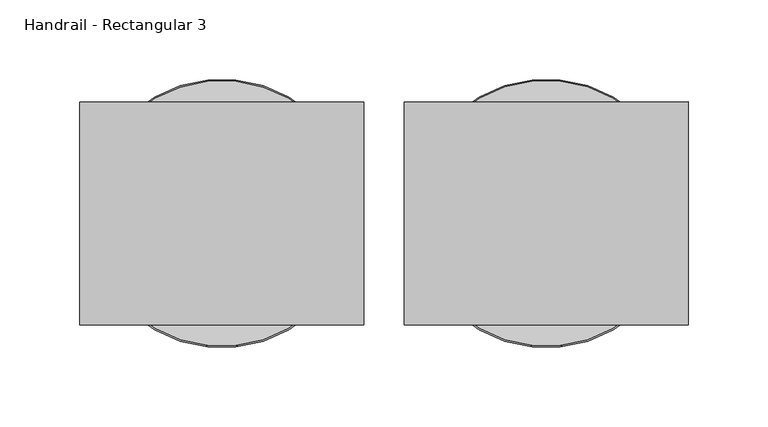
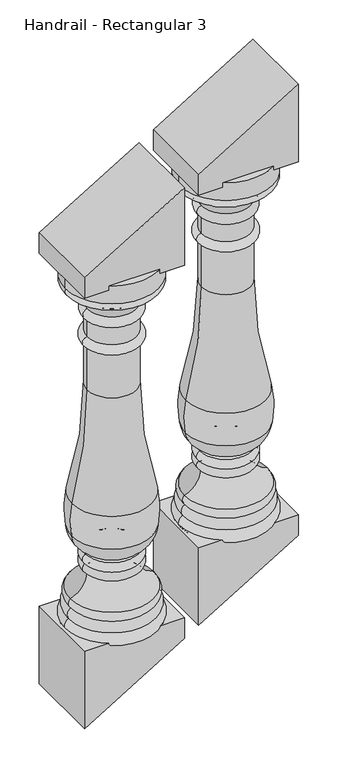
"""IFC4 building model written with IfcOpenShell, lengths in millimetres: railing geometry, Handrail - Rectangular 3."""

from ifc_helpers import new_model, si_unit, point, frame, origin, place, context, project, spatial, polyline, circle_curve, ellipse_curve, trimmed, outline, extrude, source, transform, mapped, element, save
from ifc_brep_helpers import plane_surface, cylinder_surface, revolved_surface, advanced_brep


def handrail_rectangular_3_0ecc22f2(model_context):
    return source(origin(), model_context, "Body", "SolidModel", [
        advanced_brep(
        [(9329.7589638, 4021.0919589, 1565.0325782), (9496.4464638, 4021.0919589, 1565.0325782), (9496.4464638, 4021.0919589, 1598.3700782), (9329.7589638, 4021.0919589, 1598.3700782), (9332.9339638, 4021.0919589, 1565.0325782), (9493.2714638, 4021.0919589, 1565.0325782), (9332.9339638, 4021.0919589, 1550.7450782), (9493.2714638, 4021.0919589, 1550.7450782), (9369.4464638, 4021.0919589, 1512.6450782), (9456.7589638, 4021.0919589, 1512.6450782), (9369.4464638, 4021.0919589, 1493.5950782), (9456.7589638, 4021.0919589, 1493.5950782), (9369.4464638, 4021.0919589, 1460.2575782), (9456.7589638, 4021.0919589, 1460.2575782), (9369.4464638, 4021.0919589, 1442.7950782), (9456.7589638, 4021.0919589, 1442.7950782), (9369.4464638, 4021.0919589, 1360.2450782), (9456.7589638, 4021.0919589, 1360.2450782), (9342.2579463, 4021.0919589, 1155.9266367), (9483.9474812, 4021.0919589, 1155.9266367), (9341.0675903, 4021.0919589, 1095.3843916), (9485.1378373, 4021.0919589, 1095.3843916), (9368.2786488, 4021.0919589, 1056.5487467), (9457.9267787, 4021.0919589, 1056.5487467), (9366.5533671, 4021.0919589, 1052.0663867), (9459.6520604, 4021.0919589, 1052.0663867), (9365.4777138, 4021.0919589, 1034.8075782), (9460.7277138, 4021.0919589, 1034.8075782), (9368.6527138, 4021.0919589, 1017.3450782), (9457.5527138, 4021.0919589, 1017.3450782), (9339.2839638, 4021.0919589, 977.6575782), (9486.9214638, 4021.0919589, 977.6575782), (9340.0777138, 4021.0919589, 960.1950782), (9486.1277138, 4021.0919589, 960.1950782), (9336.1089638, 4021.0919589, 941.1450782), (9490.0964638, 4021.0919589, 941.1450782), (9332.9339638, 4021.0919589, 918.9200782), (9493.2714638, 4021.0919589, 918.9200782), (9413.1027138, 4021.0919589, 918.9200782), (9413.1027138, 4021.0919589, 1598.3700782)],
        [
            (0, 1, circle_curve(frame((9413.1027138, 4021.0919589, 1565.0325782), z_axis=(0.0, 0.0, 1.0), x_axis=(1.0, 0.0, 0.0)), 83.34375)),
            (1, 2),
            (2, 3, circle_curve(frame((9413.1027138, 4021.0919589, 1598.3700782), z_axis=(0.0, 0.0, -1.0), x_axis=(1.0, 0.0, 0.0)), 83.34375)),
            (3, 0),
            (1, 0, circle_curve(frame((9413.1027138, 4021.0919589, 1565.0325782), z_axis=(0.0, 0.0, 1.0), x_axis=(1.0, 0.0, 0.0)), 83.34375)),
            (3, 2, circle_curve(frame((9413.1027138, 4021.0919589, 1598.3700782), z_axis=(0.0, 0.0, -1.0), x_axis=(1.0, 0.0, 0.0)), 83.34375)),
            (4, 5, circle_curve(frame((9413.1027138, 4021.0919589, 1565.0325782), z_axis=(0.0, 0.0, 1.0), x_axis=(1.0, 0.0, 0.0)), 80.16875)),
            (5, 1),
            (0, 4),
            (5, 4, circle_curve(frame((9413.1027138, 4021.0919589, 1565.0325782), z_axis=(0.0, 0.0, 1.0), x_axis=(1.0, 0.0, 0.0)), 80.16875)),
            (6, 7, circle_curve(frame((9413.1027138, 4021.0919589, 1550.7450782), z_axis=(0.0, 0.0, 1.0), x_axis=(1.0, 0.0, 0.0)), 80.16875)),
            (7, 5, circle_curve(frame((9486.822245, 4021.0919589, 1557.8888282), z_axis=(0.0, -1.0, 0.0), x_axis=(1.0, 0.0, 0.0)), 9.6242187)),
            (4, 6, circle_curve(frame((9339.3831825, 4021.0919589, 1557.8888282), z_axis=(0.0, -1.0, 0.0), x_axis=(-1.0, 0.0, 0.0)), 9.6242187)),
            (7, 6, circle_curve(frame((9413.1027138, 4021.0919589, 1550.7450782), z_axis=(0.0, 0.0, 1.0), x_axis=(1.0, 0.0, 0.0)), 80.16875)),
            (8, 9, circle_curve(frame((9413.1027138, 4021.0919589, 1512.6450782), z_axis=(0.0, 0.0, 1.0), x_axis=(1.0, 0.0, 0.0)), 43.65625)),
            (9, 7, circle_curve(frame((9512.1757682, 4021.0919589, 1496.0828801), z_axis=(0.0, 1.0, 0.0), x_axis=(1.0, 0.0, 0.0)), 57.8388159)),
            (6, 8, circle_curve(frame((9314.0296593, 4021.0919589, 1496.0828801), z_axis=(0.0, 1.0, 0.0), x_axis=(-1.0, 0.0, 0.0)), 57.8388159)),
            (9, 8, circle_curve(frame((9413.1027138, 4021.0919589, 1512.6450782), z_axis=(0.0, 0.0, 1.0), x_axis=(1.0, 0.0, 0.0)), 43.65625)),
            (10, 11, circle_curve(frame((9413.1027138, 4021.0919589, 1493.5950782), z_axis=(0.0, 0.0, 1.0), x_axis=(1.0, 0.0, 0.0)), 43.65625)),
            (11, 9, circle_curve(frame((9455.0127138, 4021.0919589, 1503.1200782), z_axis=(0.0, -1.0, 0.0), x_axis=(1.0, 0.0, 0.0)), 9.68375)),
            (8, 10, circle_curve(frame((9371.1927138, 4021.0919589, 1503.1200782), z_axis=(0.0, -1.0, 0.0), x_axis=(-1.0, 0.0, 0.0)), 9.68375)),
            (11, 10, circle_curve(frame((9413.1027138, 4021.0919589, 1493.5950782), z_axis=(0.0, 0.0, 1.0), x_axis=(1.0, 0.0, 0.0)), 43.65625)),
            (12, 13, circle_curve(frame((9413.1027138, 4021.0919589, 1460.2575782), z_axis=(0.0, 0.0, 1.0), x_axis=(1.0, 0.0, 0.0)), 43.65625)),
            (13, 11),
            (10, 12),
            (13, 12, circle_curve(frame((9413.1027138, 4021.0919589, 1460.2575782), z_axis=(0.0, 0.0, 1.0), x_axis=(1.0, 0.0, 0.0)), 43.65625)),
            (14, 15, circle_curve(frame((9413.1027138, 4021.0919589, 1442.7950782), z_axis=(0.0, 0.0, 1.0), x_axis=(1.0, 0.0, 0.0)), 43.65625)),
            (15, 13, circle_curve(frame((9456.7589638, 4021.0919589, 1451.5263282), z_axis=(0.0, -1.0, 0.0), x_axis=(1.0, 0.0, 0.0)), 8.73125)),
            (12, 14, circle_curve(frame((9369.4464638, 4021.0919589, 1451.5263282), z_axis=(0.0, -1.0, 0.0), x_axis=(-1.0, 0.0, 0.0)), 8.73125)),
            (15, 14, circle_curve(frame((9413.1027138, 4021.0919589, 1442.7950782), z_axis=(0.0, 0.0, 1.0), x_axis=(1.0, 0.0, 0.0)), 43.65625)),
            (16, 17, circle_curve(frame((9413.1027138, 4021.0919589, 1360.2450782), z_axis=(0.0, 0.0, 1.0), x_axis=(1.0, 0.0, 0.0)), 43.65625)),
            (17, 15),
            (14, 16),
            (17, 16, circle_curve(frame((9413.1027138, 4021.0919589, 1360.2450782), z_axis=(0.0, 0.0, 1.0), x_axis=(1.0, 0.0, 0.0)), 43.65625)),
            (18, 19, circle_curve(frame((9413.1027138, 4021.0919589, 1155.9266367), z_axis=(0.0, 0.0, 1.0), x_axis=(1.0, 0.0, 0.0)), 70.8447675)),
            (19, 17, circle_curve(frame((10191.5357133, 4021.0919589, 1354.0531261), z_axis=(0.0, 1.0, 0.0), x_axis=(1.0, 0.0, 0.0)), 734.8028389)),
            (16, 18, circle_curve(frame((8634.6697142, 4021.0919589, 1354.0531261), z_axis=(0.0, 1.0, 0.0), x_axis=(-1.0, 0.0, 0.0)), 734.8028389)),
            (19, 18, circle_curve(frame((9413.1027138, 4021.0919589, 1155.9266367), z_axis=(0.0, 0.0, 1.0), x_axis=(1.0, 0.0, 0.0)), 70.8447675)),
            (20, 21, circle_curve(frame((9413.1027138, 4021.0919589, 1095.3843916), z_axis=(0.0, 0.0, 1.0), x_axis=(1.0, 0.0, 0.0)), 72.0351235)),
            (21, 19, circle_curve(frame((9326.0488591, 4021.0919589, 1122.5392761), z_axis=(0.0, -1.0, 0.0), x_axis=(1.0, 0.0, 0.0)), 161.3898718)),
            (18, 20, circle_curve(frame((9500.1565684, 4021.0919589, 1122.5392761), z_axis=(0.0, -1.0, 0.0), x_axis=(-1.0, 0.0, 0.0)), 161.3898718)),
            (21, 20, circle_curve(frame((9413.1027138, 4021.0919589, 1095.3843916), z_axis=(0.0, 0.0, 1.0), x_axis=(1.0, 0.0, 0.0)), 72.0351235)),
            (22, 23, circle_curve(frame((9413.1027138, 4021.0919589, 1056.5487467), z_axis=(0.0, 0.0, 1.0), x_axis=(1.0, 0.0, 0.0)), 44.8240649)),
            (23, 21, circle_curve(frame((9435.4078154, 4021.0919589, 1101.2779985), z_axis=(0.0, -1.0, 0.0), x_axis=(1.0, 0.0, 0.0)), 50.0780358)),
            (20, 22, circle_curve(frame((9390.7976121, 4021.0919589, 1101.2779985), z_axis=(0.0, -1.0, 0.0), x_axis=(-1.0, 0.0, 0.0)), 50.0780358)),
            (23, 22, circle_curve(frame((9413.1027138, 4021.0919589, 1056.5487467), z_axis=(0.0, 0.0, 1.0), x_axis=(1.0, 0.0, 0.0)), 44.8240649)),
            (24, 25, circle_curve(frame((9413.1027138, 4021.0919589, 1052.0663867), z_axis=(0.0, 0.0, 1.0), x_axis=(1.0, 0.0, 0.0)), 46.5493467)),
            (25, 23, circle_curve(frame((9460.7277138, 4021.0919589, 1055.0536254), z_axis=(0.0, 1.0, 0.0), x_axis=(1.0, 0.0, 0.0)), 3.175)),
            (22, 24, circle_curve(frame((9365.4777138, 4021.0919589, 1055.0536254), z_axis=(0.0, 1.0, 0.0), x_axis=(-1.0, 0.0, 0.0)), 3.175)),
            (25, 24, circle_curve(frame((9413.1027138, 4021.0919589, 1052.0663867), z_axis=(0.0, 0.0, 1.0), x_axis=(1.0, 0.0, 0.0)), 46.5493467)),
            (26, 27, circle_curve(frame((9413.1027138, 4021.0919589, 1034.8075782), z_axis=(0.0, 0.0, 1.0), x_axis=(1.0, 0.0, 0.0)), 47.625)),
            (27, 25, circle_curve(frame((9455.651349, 4021.0919589, 1043.1541186), z_axis=(0.0, -1.0, 0.0), x_axis=(1.0, 0.0, 0.0)), 9.7690437)),
            (24, 26, circle_curve(frame((9370.5540785, 4021.0919589, 1043.1541186), z_axis=(0.0, -1.0, 0.0), x_axis=(-1.0, 0.0, 0.0)), 9.7690437)),
            (27, 26, circle_curve(frame((9413.1027138, 4021.0919589, 1034.8075782), z_axis=(0.0, 0.0, 1.0), x_axis=(1.0, 0.0, 0.0)), 47.625)),
            (28, 29, circle_curve(frame((9413.1027138, 4021.0919589, 1017.3450782), z_axis=(0.0, 0.0, 1.0), x_axis=(1.0, 0.0, 0.0)), 44.45)),
            (29, 27, circle_curve(frame((9456.1140419, 4021.0919589, 1026.6265412), z_axis=(0.0, -1.0, 0.0), x_axis=(1.0, 0.0, 0.0)), 9.3923018)),
            (26, 28, circle_curve(frame((9370.0913856, 4021.0919589, 1026.6265412), z_axis=(0.0, -1.0, 0.0), x_axis=(-1.0, 0.0, 0.0)), 9.3923018)),
            (29, 28, circle_curve(frame((9413.1027138, 4021.0919589, 1017.3450782), z_axis=(0.0, 0.0, 1.0), x_axis=(1.0, 0.0, 0.0)), 44.45)),
            (30, 31, circle_curve(frame((9413.1027138, 4021.0919589, 977.6575782), z_axis=(0.0, 0.0, 1.0), x_axis=(1.0, 0.0, 0.0)), 73.81875)),
            (31, 29, circle_curve(frame((9499.0529671, 4021.0919589, 1017.3450782), z_axis=(0.0, 1.0, 0.0), x_axis=(1.0, 0.0, 0.0)), 41.5002534)),
            (28, 30, circle_curve(frame((9327.1524604, 4021.0919589, 1017.3450782), z_axis=(0.0, 1.0, 0.0), x_axis=(-1.0, 0.0, 0.0)), 41.5002534)),
            (31, 30, circle_curve(frame((9413.1027138, 4021.0919589, 977.6575782), z_axis=(0.0, 0.0, 1.0), x_axis=(1.0, 0.0, 0.0)), 73.81875)),
            (32, 33, circle_curve(frame((9413.1027138, 4021.0919589, 960.1950782), z_axis=(0.0, 0.0, 1.0), x_axis=(1.0, 0.0, 0.0)), 73.025)),
            (33, 31, circle_curve(frame((9477.6169499, 4021.0919589, 969.3312208), z_axis=(0.0, -1.0, 0.0), x_axis=(1.0, 0.0, 0.0)), 12.4860804)),
            (30, 32, circle_curve(frame((9348.5884776, 4021.0919589, 969.3312208), z_axis=(0.0, -1.0, 0.0), x_axis=(-1.0, 0.0, 0.0)), 12.4860804)),
            (33, 32, circle_curve(frame((9413.1027138, 4021.0919589, 960.1950782), z_axis=(0.0, 0.0, 1.0), x_axis=(1.0, 0.0, 0.0)), 73.025)),
            (34, 35, circle_curve(frame((9413.1027138, 4021.0919589, 941.1450782), z_axis=(0.0, 0.0, 1.0), x_axis=(1.0, 0.0, 0.0)), 76.99375)),
            (35, 33, circle_curve(frame((9479.4529979, 4021.0919589, 948.8661009), z_axis=(0.0, -1.0, 0.0), x_axis=(1.0, 0.0, 0.0)), 13.1490516)),
            (32, 34, circle_curve(frame((9346.7524297, 4021.0919589, 948.8661009), z_axis=(0.0, -1.0, 0.0), x_axis=(-1.0, 0.0, 0.0)), 13.1490516)),
            (35, 34, circle_curve(frame((9413.1027138, 4021.0919589, 941.1450782), z_axis=(0.0, 0.0, 1.0), x_axis=(1.0, 0.0, 0.0)), 76.99375)),
            (36, 37, circle_curve(frame((9413.1027138, 4021.0919589, 918.9200782), z_axis=(0.0, 0.0, 1.0), x_axis=(1.0, 0.0, 0.0)), 80.16875)),
            (37, 35, circle_curve(frame((9483.122803, 4021.0919589, 928.8095552), z_axis=(0.0, -1.0, 0.0), x_axis=(1.0, 0.0, 0.0)), 14.1702883)),
            (34, 36, circle_curve(frame((9343.0826245, 4021.0919589, 928.8095552), z_axis=(0.0, -1.0, 0.0), x_axis=(-1.0, 0.0, 0.0)), 14.1702883)),
            (37, 36, circle_curve(frame((9413.1027138, 4021.0919589, 918.9200782), z_axis=(0.0, 0.0, 1.0), x_axis=(1.0, 0.0, 0.0)), 80.16875)),
            (38, 37),
            (36, 38),
            (2, 39),
            (39, 3),
        ],
        [
            cylinder_surface(frame((9413.1027138, 4021.0919589, 1547.5700782), z_axis=(0.0, 0.0, -1.0), x_axis=(1.0, 0.0, 0.0)), 83.34375),
            plane_surface(frame((9413.1027138, 4021.0919589, 1565.0325782), z_axis=(0.0, 0.0, -1.0), x_axis=(1.0, 0.0, 0.0))),
            revolved_surface(trimmed(ellipse_curve(frame((9486.822245, 4021.0919589, 1557.8888282), z_axis=(0.0, 1.0, 0.0), x_axis=(1.0, 0.0, 0.0)), 9.6242187, 9.6242187), [point((9493.2714638, 4021.0919589, 1565.0325782))], [point((9493.2714638, 4021.0919589, 1550.7450782))], True, "CARTESIAN"), (9413.1027138, 4021.0919589, 1547.5700782), (0.0, 0.0, -1.0)),
            revolved_surface(trimmed(ellipse_curve(frame((9512.1757682, 4021.0919589, 1496.0828801), z_axis=(0.0, -1.0, 0.0), x_axis=(1.0, 0.0, 0.0)), 57.8388159, 57.8388159), [point((9493.2714638, 4021.0919589, 1550.7450782))], [point((9456.7589638, 4021.0919589, 1512.6450782))], True, "CARTESIAN"), (9413.1027138, 4021.0919589, 1547.5700782), (0.0, 0.0, -1.0)),
            revolved_surface(trimmed(ellipse_curve(frame((9455.0127138, 4021.0919589, 1503.1200782), z_axis=(0.0, 1.0, 0.0), x_axis=(1.0, 0.0, 0.0)), 9.68375, 9.68375), [point((9456.7589638, 4021.0919589, 1512.6450782))], [point((9456.7589638, 4021.0919589, 1493.5950782))], True, "CARTESIAN"), (9413.1027138, 4021.0919589, 1547.5700782), (0.0, 0.0, -1.0)),
            cylinder_surface(frame((9413.1027138, 4021.0919589, 1547.5700782), z_axis=(0.0, 0.0, -1.0), x_axis=(1.0, 0.0, 0.0)), 43.65625),
            revolved_surface(trimmed(ellipse_curve(frame((9456.7589638, 4021.0919589, 1451.5263282), z_axis=(0.0, 1.0, 0.0), x_axis=(1.0, 0.0, 0.0)), 8.73125, 8.73125), [point((9456.7589638, 4021.0919589, 1460.2575782))], [point((9456.7589638, 4021.0919589, 1442.7950782))], True, "CARTESIAN"), (9413.1027138, 4021.0919589, 1547.5700782), (0.0, 0.0, -1.0)),
            revolved_surface(trimmed(ellipse_curve(frame((10191.5357133, 4021.0919589, 1354.0531261), z_axis=(0.0, -1.0, 0.0), x_axis=(1.0, 0.0, 0.0)), 734.8028389, 734.8028389), [point((9456.7589638, 4021.0919589, 1360.2450782))], [point((9483.9474812, 4021.0919589, 1155.9266367))], True, "CARTESIAN"), (9413.1027138, 4021.0919589, 1547.5700782), (0.0, 0.0, -1.0)),
            revolved_surface(trimmed(ellipse_curve(frame((9326.0488591, 4021.0919589, 1122.5392761), z_axis=(0.0, 1.0, 0.0), x_axis=(1.0, 0.0, 0.0)), 161.3898718, 161.3898718), [point((9483.9474812, 4021.0919589, 1155.9266367))], [point((9485.1378373, 4021.0919589, 1095.3843916))], True, "CARTESIAN"), (9413.1027138, 4021.0919589, 1547.5700782), (0.0, 0.0, -1.0)),
            revolved_surface(trimmed(ellipse_curve(frame((9435.4078154, 4021.0919589, 1101.2779985), z_axis=(0.0, 1.0, 0.0), x_axis=(1.0, 0.0, 0.0)), 50.0780358, 50.0780358), [point((9485.1378373, 4021.0919589, 1095.3843916))], [point((9457.9267787, 4021.0919589, 1056.5487467))], True, "CARTESIAN"), (9413.1027138, 4021.0919589, 1547.5700782), (0.0, 0.0, -1.0)),
            revolved_surface(trimmed(ellipse_curve(frame((9460.7277138, 4021.0919589, 1055.0536254), z_axis=(0.0, -1.0, 0.0), x_axis=(1.0, 0.0, 0.0)), 3.175, 3.175), [point((9457.9267787, 4021.0919589, 1056.5487467))], [point((9459.6520604, 4021.0919589, 1052.0663867))], True, "CARTESIAN"), (9413.1027138, 4021.0919589, 1547.5700782), (0.0, 0.0, -1.0)),
            revolved_surface(trimmed(ellipse_curve(frame((9455.651349, 4021.0919589, 1043.1541186), z_axis=(0.0, 1.0, 0.0), x_axis=(1.0, 0.0, 0.0)), 9.7690437, 9.7690437), [point((9459.6520604, 4021.0919589, 1052.0663867))], [point((9460.7277138, 4021.0919589, 1034.8075782))], True, "CARTESIAN"), (9413.1027138, 4021.0919589, 1547.5700782), (0.0, 0.0, -1.0)),
            revolved_surface(trimmed(ellipse_curve(frame((9456.1140419, 4021.0919589, 1026.6265412), z_axis=(0.0, 1.0, 0.0), x_axis=(1.0, 0.0, 0.0)), 9.3923018, 9.3923018), [point((9460.7277138, 4021.0919589, 1034.8075782))], [point((9457.5527138, 4021.0919589, 1017.3450782))], True, "CARTESIAN"), (9413.1027138, 4021.0919589, 1547.5700782), (0.0, 0.0, -1.0)),
            revolved_surface(trimmed(ellipse_curve(frame((9499.0529671, 4021.0919589, 1017.3450782), z_axis=(0.0, -1.0, 0.0), x_axis=(1.0, 0.0, 0.0)), 41.5002534, 41.5002534), [point((9457.5527138, 4021.0919589, 1017.3450782))], [point((9486.9214638, 4021.0919589, 977.6575782))], True, "CARTESIAN"), (9413.1027138, 4021.0919589, 1547.5700782), (0.0, 0.0, -1.0)),
            revolved_surface(trimmed(ellipse_curve(frame((9477.6169499, 4021.0919589, 969.3312208), z_axis=(0.0, 1.0, 0.0), x_axis=(1.0, 0.0, 0.0)), 12.4860804, 12.4860804), [point((9486.9214638, 4021.0919589, 977.6575782))], [point((9486.1277138, 4021.0919589, 960.1950782))], True, "CARTESIAN"), (9413.1027138, 4021.0919589, 1547.5700782), (0.0, 0.0, -1.0)),
            revolved_surface(trimmed(ellipse_curve(frame((9479.4529979, 4021.0919589, 948.8661009), z_axis=(0.0, 1.0, 0.0), x_axis=(1.0, 0.0, 0.0)), 13.1490516, 13.1490516), [point((9486.1277138, 4021.0919589, 960.1950782))], [point((9490.0964638, 4021.0919589, 941.1450782))], True, "CARTESIAN"), (9413.1027138, 4021.0919589, 1547.5700782), (0.0, 0.0, -1.0)),
            revolved_surface(trimmed(ellipse_curve(frame((9483.122803, 4021.0919589, 928.8095552), z_axis=(0.0, 1.0, 0.0), x_axis=(1.0, 0.0, 0.0)), 14.1702883, 14.1702883), [point((9490.0964638, 4021.0919589, 941.1450782))], [point((9493.2714638, 4021.0919589, 918.9200782))], True, "CARTESIAN"), (9413.1027138, 4021.0919589, 1547.5700782), (0.0, 0.0, -1.0)),
            plane_surface(frame((9413.1027138, 4021.0919589, 918.9200782), z_axis=(0.0, 0.0, -1.0), x_axis=(1.0, 0.0, 0.0))),
            plane_surface(frame((9413.1027138, 4021.0919589, 1598.3700782), z_axis=(0.0, 0.0, 1.0), x_axis=(1.0, 0.0, 0.0))),
        ],
        [
            (0, [[1, 2, 3, 4]]),
            (0, [[5, -4, 6, -2]]),
            (1, [[7, 8, -1, 9]]),
            (1, [[10, -9, -5, -8]]),
            (2, [[11, 12, -7, 13]]),
            (2, [[14, -13, -10, -12]]),
            (3, [[15, 16, -11, 17]]),
            (3, [[18, -17, -14, -16]]),
            (4, [[19, 20, -15, 21]]),
            (4, [[22, -21, -18, -20]]),
            (5, [[23, 24, -19, 25]]),
            (5, [[26, -25, -22, -24]]),
            (6, [[27, 28, -23, 29]]),
            (6, [[30, -29, -26, -28]]),
            (5, [[31, 32, -27, 33]]),
            (5, [[34, -33, -30, -32]]),
            (7, [[35, 36, -31, 37]]),
            (7, [[38, -37, -34, -36]]),
            (8, [[39, 40, -35, 41]]),
            (8, [[42, -41, -38, -40]]),
            (9, [[43, 44, -39, 45]]),
            (9, [[46, -45, -42, -44]]),
            (10, [[47, 48, -43, 49]]),
            (10, [[50, -49, -46, -48]]),
            (11, [[51, 52, -47, 53]]),
            (11, [[54, -53, -50, -52]]),
            (12, [[55, 56, -51, 57]]),
            (12, [[58, -57, -54, -56]]),
            (13, [[59, 60, -55, 61]]),
            (13, [[62, -61, -58, -60]]),
            (14, [[63, 64, -59, 65]]),
            (14, [[66, -65, -62, -64]]),
            (15, [[67, 68, -63, 69]]),
            (15, [[70, -69, -66, -68]]),
            (16, [[71, 72, -67, 73]]),
            (16, [[74, -73, -70, -72]]),
            (17, [[75, -71, 76]]),
            (17, [[-76, -74, -75]]),
            (18, [[-3, 77, 78]]),
            (18, [[-6, -78, -77]]),
        ],
    ),
        extrude(outline(polyline([(926.7151515, 9502.0027138), (926.7151515, 9324.2027138), (780.7613636, 9324.2027138), (888.5189394, 9502.0027138), (926.7151515, 9502.0027138)])), frame((0.0, 3951.2419589, 0.0), z_axis=(0.0, 1.0, 0.0), x_axis=(0.0, 0.0, 1.0)), (0.0, 0.0, 1.0), 139.7),
        extrude(outline(polyline([(1590.5750048, 9324.2027138), (1590.5750048, 9502.0027138), (1736.5287927, 9502.0027138), (1628.7712169, 9324.2027138), (1590.5750048, 9324.2027138)])), frame((0.0, 3951.2419589, 0.0), z_axis=(0.0, 1.0, 0.0), x_axis=(0.0, 0.0, 1.0)), (0.0, 0.0, 1.0), 139.7),
        advanced_brep(
        [(9126.5589638, 4021.0919589, 1441.881063), (9293.2464638, 4021.0919589, 1441.881063), (9293.2464638, 4021.0919589, 1475.218563), (9126.5589638, 4021.0919589, 1475.218563), (9129.7339638, 4021.0919589, 1441.881063), (9290.0714638, 4021.0919589, 1441.881063), (9129.7339638, 4021.0919589, 1427.593563), (9290.0714638, 4021.0919589, 1427.593563), (9166.2464638, 4021.0919589, 1389.493563), (9253.5589638, 4021.0919589, 1389.493563), (9166.2464638, 4021.0919589, 1370.443563), (9253.5589638, 4021.0919589, 1370.443563), (9166.2464638, 4021.0919589, 1337.106063), (9253.5589638, 4021.0919589, 1337.106063), (9166.2464638, 4021.0919589, 1319.643563), (9253.5589638, 4021.0919589, 1319.643563), (9166.2464638, 4021.0919589, 1237.093563), (9253.5589638, 4021.0919589, 1237.093563), (9139.0579463, 4021.0919589, 1032.7751216), (9280.7474812, 4021.0919589, 1032.7751216), (9137.8675903, 4021.0919589, 972.2328764), (9281.9378373, 4021.0919589, 972.2328764), (9165.0786488, 4021.0919589, 933.3972316), (9254.7267787, 4021.0919589, 933.3972316), (9163.3533671, 4021.0919589, 928.9148716), (9256.4520604, 4021.0919589, 928.9148716), (9162.2777138, 4021.0919589, 911.656063), (9257.5277138, 4021.0919589, 911.656063), (9165.4527138, 4021.0919589, 894.193563), (9254.3527138, 4021.0919589, 894.193563), (9136.0839638, 4021.0919589, 854.506063), (9283.7214638, 4021.0919589, 854.506063), (9136.8777138, 4021.0919589, 837.043563), (9282.9277138, 4021.0919589, 837.043563), (9132.9089638, 4021.0919589, 817.993563), (9286.8964638, 4021.0919589, 817.993563), (9129.7339638, 4021.0919589, 795.768563), (9290.0714638, 4021.0919589, 795.768563), (9209.9027138, 4021.0919589, 795.768563), (9209.9027138, 4021.0919589, 1475.218563)],
        [
            (0, 1, circle_curve(frame((9209.9027138, 4021.0919589, 1441.881063), z_axis=(0.0, 0.0, 1.0), x_axis=(1.0, 0.0, 0.0)), 83.34375)),
            (1, 2),
            (2, 3, circle_curve(frame((9209.9027138, 4021.0919589, 1475.218563), z_axis=(0.0, 0.0, -1.0), x_axis=(1.0, 0.0, 0.0)), 83.34375)),
            (3, 0),
            (1, 0, circle_curve(frame((9209.9027138, 4021.0919589, 1441.881063), z_axis=(0.0, 0.0, 1.0), x_axis=(1.0, 0.0, 0.0)), 83.34375)),
            (3, 2, circle_curve(frame((9209.9027138, 4021.0919589, 1475.218563), z_axis=(0.0, 0.0, -1.0), x_axis=(1.0, 0.0, 0.0)), 83.34375)),
            (4, 5, circle_curve(frame((9209.9027138, 4021.0919589, 1441.881063), z_axis=(0.0, 0.0, 1.0), x_axis=(1.0, 0.0, 0.0)), 80.16875)),
            (5, 1),
            (0, 4),
            (5, 4, circle_curve(frame((9209.9027138, 4021.0919589, 1441.881063), z_axis=(0.0, 0.0, 1.0), x_axis=(1.0, 0.0, 0.0)), 80.16875)),
            (6, 7, circle_curve(frame((9209.9027138, 4021.0919589, 1427.593563), z_axis=(0.0, 0.0, 1.0), x_axis=(1.0, 0.0, 0.0)), 80.16875)),
            (7, 5, circle_curve(frame((9283.622245, 4021.0919589, 1434.737313), z_axis=(0.0, -1.0, 0.0), x_axis=(1.0, 0.0, 0.0)), 9.6242187)),
            (4, 6, circle_curve(frame((9136.1831825, 4021.0919589, 1434.737313), z_axis=(0.0, -1.0, 0.0), x_axis=(-1.0, 0.0, 0.0)), 9.6242187)),
            (7, 6, circle_curve(frame((9209.9027138, 4021.0919589, 1427.593563), z_axis=(0.0, 0.0, 1.0), x_axis=(1.0, 0.0, 0.0)), 80.16875)),
            (8, 9, circle_curve(frame((9209.9027138, 4021.0919589, 1389.493563), z_axis=(0.0, 0.0, 1.0), x_axis=(1.0, 0.0, 0.0)), 43.65625)),
            (9, 7, circle_curve(frame((9308.9757682, 4021.0919589, 1372.931365), z_axis=(0.0, 1.0, 0.0), x_axis=(1.0, 0.0, 0.0)), 57.8388159)),
            (6, 8, circle_curve(frame((9110.8296593, 4021.0919589, 1372.931365), z_axis=(0.0, 1.0, 0.0), x_axis=(-1.0, 0.0, 0.0)), 57.8388159)),
            (9, 8, circle_curve(frame((9209.9027138, 4021.0919589, 1389.493563), z_axis=(0.0, 0.0, 1.0), x_axis=(1.0, 0.0, 0.0)), 43.65625)),
            (10, 11, circle_curve(frame((9209.9027138, 4021.0919589, 1370.443563), z_axis=(0.0, 0.0, 1.0), x_axis=(1.0, 0.0, 0.0)), 43.65625)),
            (11, 9, circle_curve(frame((9251.8127138, 4021.0919589, 1379.968563), z_axis=(0.0, -1.0, 0.0), x_axis=(1.0, 0.0, 0.0)), 9.68375)),
            (8, 10, circle_curve(frame((9167.9927138, 4021.0919589, 1379.968563), z_axis=(0.0, -1.0, 0.0), x_axis=(-1.0, 0.0, 0.0)), 9.68375)),
            (11, 10, circle_curve(frame((9209.9027138, 4021.0919589, 1370.443563), z_axis=(0.0, 0.0, 1.0), x_axis=(1.0, 0.0, 0.0)), 43.65625)),
            (12, 13, circle_curve(frame((9209.9027138, 4021.0919589, 1337.106063), z_axis=(0.0, 0.0, 1.0), x_axis=(1.0, 0.0, 0.0)), 43.65625)),
            (13, 11),
            (10, 12),
            (13, 12, circle_curve(frame((9209.9027138, 4021.0919589, 1337.106063), z_axis=(0.0, 0.0, 1.0), x_axis=(1.0, 0.0, 0.0)), 43.65625)),
            (14, 15, circle_curve(frame((9209.9027138, 4021.0919589, 1319.643563), z_axis=(0.0, 0.0, 1.0), x_axis=(1.0, 0.0, 0.0)), 43.65625)),
            (15, 13, circle_curve(frame((9253.5589638, 4021.0919589, 1328.374813), z_axis=(0.0, -1.0, 0.0), x_axis=(1.0, 0.0, 0.0)), 8.73125)),
            (12, 14, circle_curve(frame((9166.2464638, 4021.0919589, 1328.374813), z_axis=(0.0, -1.0, 0.0), x_axis=(-1.0, 0.0, 0.0)), 8.73125)),
            (15, 14, circle_curve(frame((9209.9027138, 4021.0919589, 1319.643563), z_axis=(0.0, 0.0, 1.0), x_axis=(1.0, 0.0, 0.0)), 43.65625)),
            (16, 17, circle_curve(frame((9209.9027138, 4021.0919589, 1237.093563), z_axis=(0.0, 0.0, 1.0), x_axis=(1.0, 0.0, 0.0)), 43.65625)),
            (17, 15),
            (14, 16),
            (17, 16, circle_curve(frame((9209.9027138, 4021.0919589, 1237.093563), z_axis=(0.0, 0.0, 1.0), x_axis=(1.0, 0.0, 0.0)), 43.65625)),
            (18, 19, circle_curve(frame((9209.9027138, 4021.0919589, 1032.7751216), z_axis=(0.0, 0.0, 1.0), x_axis=(1.0, 0.0, 0.0)), 70.8447675)),
            (19, 17, circle_curve(frame((9988.3357133, 4021.0919589, 1230.901611), z_axis=(0.0, 1.0, 0.0), x_axis=(1.0, 0.0, 0.0)), 734.8028389)),
            (16, 18, circle_curve(frame((8431.4697142, 4021.0919589, 1230.901611), z_axis=(0.0, 1.0, 0.0), x_axis=(-1.0, 0.0, 0.0)), 734.8028389)),
            (19, 18, circle_curve(frame((9209.9027138, 4021.0919589, 1032.7751216), z_axis=(0.0, 0.0, 1.0), x_axis=(1.0, 0.0, 0.0)), 70.8447675)),
            (20, 21, circle_curve(frame((9209.9027138, 4021.0919589, 972.2328764), z_axis=(0.0, 0.0, 1.0), x_axis=(1.0, 0.0, 0.0)), 72.0351235)),
            (21, 19, circle_curve(frame((9122.8488591, 4021.0919589, 999.387761), z_axis=(0.0, -1.0, 0.0), x_axis=(1.0, 0.0, 0.0)), 161.3898718)),
            (18, 20, circle_curve(frame((9296.9565684, 4021.0919589, 999.387761), z_axis=(0.0, -1.0, 0.0), x_axis=(-1.0, 0.0, 0.0)), 161.3898718)),
            (21, 20, circle_curve(frame((9209.9027138, 4021.0919589, 972.2328764), z_axis=(0.0, 0.0, 1.0), x_axis=(1.0, 0.0, 0.0)), 72.0351235)),
            (22, 23, circle_curve(frame((9209.9027138, 4021.0919589, 933.3972316), z_axis=(0.0, 0.0, 1.0), x_axis=(1.0, 0.0, 0.0)), 44.8240649)),
            (23, 21, circle_curve(frame((9232.2078154, 4021.0919589, 978.1264834), z_axis=(0.0, -1.0, 0.0), x_axis=(1.0, 0.0, 0.0)), 50.0780358)),
            (20, 22, circle_curve(frame((9187.5976121, 4021.0919589, 978.1264834), z_axis=(0.0, -1.0, 0.0), x_axis=(-1.0, 0.0, 0.0)), 50.0780358)),
            (23, 22, circle_curve(frame((9209.9027138, 4021.0919589, 933.3972316), z_axis=(0.0, 0.0, 1.0), x_axis=(1.0, 0.0, 0.0)), 44.8240649)),
            (24, 25, circle_curve(frame((9209.9027138, 4021.0919589, 928.9148716), z_axis=(0.0, 0.0, 1.0), x_axis=(1.0, 0.0, 0.0)), 46.5493467)),
            (25, 23, circle_curve(frame((9257.5277138, 4021.0919589, 931.9021102), z_axis=(0.0, 1.0, 0.0), x_axis=(1.0, 0.0, 0.0)), 3.175)),
            (22, 24, circle_curve(frame((9162.2777138, 4021.0919589, 931.9021102), z_axis=(0.0, 1.0, 0.0), x_axis=(-1.0, 0.0, 0.0)), 3.175)),
            (25, 24, circle_curve(frame((9209.9027138, 4021.0919589, 928.9148716), z_axis=(0.0, 0.0, 1.0), x_axis=(1.0, 0.0, 0.0)), 46.5493467)),
            (26, 27, circle_curve(frame((9209.9027138, 4021.0919589, 911.656063), z_axis=(0.0, 0.0, 1.0), x_axis=(1.0, 0.0, 0.0)), 47.625)),
            (27, 25, circle_curve(frame((9252.451349, 4021.0919589, 920.0026034), z_axis=(0.0, -1.0, 0.0), x_axis=(1.0, 0.0, 0.0)), 9.7690437)),
            (24, 26, circle_curve(frame((9167.3540785, 4021.0919589, 920.0026034), z_axis=(0.0, -1.0, 0.0), x_axis=(-1.0, 0.0, 0.0)), 9.7690437)),
            (27, 26, circle_curve(frame((9209.9027138, 4021.0919589, 911.656063), z_axis=(0.0, 0.0, 1.0), x_axis=(1.0, 0.0, 0.0)), 47.625)),
            (28, 29, circle_curve(frame((9209.9027138, 4021.0919589, 894.193563), z_axis=(0.0, 0.0, 1.0), x_axis=(1.0, 0.0, 0.0)), 44.45)),
            (29, 27, circle_curve(frame((9252.9140419, 4021.0919589, 903.4750261), z_axis=(0.0, -1.0, 0.0), x_axis=(1.0, 0.0, 0.0)), 9.3923018)),
            (26, 28, circle_curve(frame((9166.8913856, 4021.0919589, 903.4750261), z_axis=(0.0, -1.0, 0.0), x_axis=(-1.0, 0.0, 0.0)), 9.3923018)),
            (29, 28, circle_curve(frame((9209.9027138, 4021.0919589, 894.193563), z_axis=(0.0, 0.0, 1.0), x_axis=(1.0, 0.0, 0.0)), 44.45)),
            (30, 31, circle_curve(frame((9209.9027138, 4021.0919589, 854.506063), z_axis=(0.0, 0.0, 1.0), x_axis=(1.0, 0.0, 0.0)), 73.81875)),
            (31, 29, circle_curve(frame((9295.8529671, 4021.0919589, 894.193563), z_axis=(0.0, 1.0, 0.0), x_axis=(1.0, 0.0, 0.0)), 41.5002534)),
            (28, 30, circle_curve(frame((9123.9524604, 4021.0919589, 894.193563), z_axis=(0.0, 1.0, 0.0), x_axis=(-1.0, 0.0, 0.0)), 41.5002534)),
            (31, 30, circle_curve(frame((9209.9027138, 4021.0919589, 854.506063), z_axis=(0.0, 0.0, 1.0), x_axis=(1.0, 0.0, 0.0)), 73.81875)),
            (32, 33, circle_curve(frame((9209.9027138, 4021.0919589, 837.043563), z_axis=(0.0, 0.0, 1.0), x_axis=(1.0, 0.0, 0.0)), 73.025)),
            (33, 31, circle_curve(frame((9274.4169499, 4021.0919589, 846.1797057), z_axis=(0.0, -1.0, 0.0), x_axis=(1.0, 0.0, 0.0)), 12.4860804)),
            (30, 32, circle_curve(frame((9145.3884776, 4021.0919589, 846.1797057), z_axis=(0.0, -1.0, 0.0), x_axis=(-1.0, 0.0, 0.0)), 12.4860804)),
            (33, 32, circle_curve(frame((9209.9027138, 4021.0919589, 837.043563), z_axis=(0.0, 0.0, 1.0), x_axis=(1.0, 0.0, 0.0)), 73.025)),
            (34, 35, circle_curve(frame((9209.9027138, 4021.0919589, 817.993563), z_axis=(0.0, 0.0, 1.0), x_axis=(1.0, 0.0, 0.0)), 76.99375)),
            (35, 33, circle_curve(frame((9276.2529979, 4021.0919589, 825.7145857), z_axis=(0.0, -1.0, 0.0), x_axis=(1.0, 0.0, 0.0)), 13.1490516)),
            (32, 34, circle_curve(frame((9143.5524297, 4021.0919589, 825.7145857), z_axis=(0.0, -1.0, 0.0), x_axis=(-1.0, 0.0, 0.0)), 13.1490516)),
            (35, 34, circle_curve(frame((9209.9027138, 4021.0919589, 817.993563), z_axis=(0.0, 0.0, 1.0), x_axis=(1.0, 0.0, 0.0)), 76.99375)),
            (36, 37, circle_curve(frame((9209.9027138, 4021.0919589, 795.768563), z_axis=(0.0, 0.0, 1.0), x_axis=(1.0, 0.0, 0.0)), 80.16875)),
            (37, 35, circle_curve(frame((9279.922803, 4021.0919589, 805.65804), z_axis=(0.0, -1.0, 0.0), x_axis=(1.0, 0.0, 0.0)), 14.1702883)),
            (34, 36, circle_curve(frame((9139.8826245, 4021.0919589, 805.65804), z_axis=(0.0, -1.0, 0.0), x_axis=(-1.0, 0.0, 0.0)), 14.1702883)),
            (37, 36, circle_curve(frame((9209.9027138, 4021.0919589, 795.768563), z_axis=(0.0, 0.0, 1.0), x_axis=(1.0, 0.0, 0.0)), 80.16875)),
            (38, 37),
            (36, 38),
            (2, 39),
            (39, 3),
        ],
        [
            cylinder_surface(frame((9209.9027138, 4021.0919589, 1424.418563), z_axis=(0.0, 0.0, -1.0), x_axis=(1.0, 0.0, 0.0)), 83.34375),
            plane_surface(frame((9209.9027138, 4021.0919589, 1441.881063), z_axis=(0.0, 0.0, -1.0), x_axis=(1.0, 0.0, 0.0))),
            revolved_surface(trimmed(ellipse_curve(frame((9283.622245, 4021.0919589, 1434.737313), z_axis=(0.0, 1.0, 0.0), x_axis=(1.0, 0.0, 0.0)), 9.6242187, 9.6242187), [point((9290.0714638, 4021.0919589, 1441.881063))], [point((9290.0714638, 4021.0919589, 1427.593563))], True, "CARTESIAN"), (9209.9027138, 4021.0919589, 1424.418563), (0.0, 0.0, -1.0)),
            revolved_surface(trimmed(ellipse_curve(frame((9308.9757682, 4021.0919589, 1372.931365), z_axis=(0.0, -1.0, 0.0), x_axis=(1.0, 0.0, 0.0)), 57.8388159, 57.8388159), [point((9290.0714638, 4021.0919589, 1427.593563))], [point((9253.5589638, 4021.0919589, 1389.493563))], True, "CARTESIAN"), (9209.9027138, 4021.0919589, 1424.418563), (0.0, 0.0, -1.0)),
            revolved_surface(trimmed(ellipse_curve(frame((9251.8127138, 4021.0919589, 1379.968563), z_axis=(0.0, 1.0, 0.0), x_axis=(1.0, 0.0, 0.0)), 9.68375, 9.68375), [point((9253.5589638, 4021.0919589, 1389.493563))], [point((9253.5589638, 4021.0919589, 1370.443563))], True, "CARTESIAN"), (9209.9027138, 4021.0919589, 1424.418563), (0.0, 0.0, -1.0)),
            cylinder_surface(frame((9209.9027138, 4021.0919589, 1424.418563), z_axis=(0.0, 0.0, -1.0), x_axis=(1.0, 0.0, 0.0)), 43.65625),
            revolved_surface(trimmed(ellipse_curve(frame((9253.5589638, 4021.0919589, 1328.374813), z_axis=(0.0, 1.0, 0.0), x_axis=(1.0, 0.0, 0.0)), 8.73125, 8.73125), [point((9253.5589638, 4021.0919589, 1337.106063))], [point((9253.5589638, 4021.0919589, 1319.643563))], True, "CARTESIAN"), (9209.9027138, 4021.0919589, 1424.418563), (0.0, 0.0, -1.0)),
            revolved_surface(trimmed(ellipse_curve(frame((9988.3357133, 4021.0919589, 1230.901611), z_axis=(0.0, -1.0, 0.0), x_axis=(1.0, 0.0, 0.0)), 734.8028389, 734.8028389), [point((9253.5589638, 4021.0919589, 1237.093563))], [point((9280.7474812, 4021.0919589, 1032.7751216))], True, "CARTESIAN"), (9209.9027138, 4021.0919589, 1424.418563), (0.0, 0.0, -1.0)),
            revolved_surface(trimmed(ellipse_curve(frame((9122.8488591, 4021.0919589, 999.387761), z_axis=(0.0, 1.0, 0.0), x_axis=(1.0, 0.0, 0.0)), 161.3898718, 161.3898718), [point((9280.7474812, 4021.0919589, 1032.7751216))], [point((9281.9378373, 4021.0919589, 972.2328764))], True, "CARTESIAN"), (9209.9027138, 4021.0919589, 1424.418563), (0.0, 0.0, -1.0)),
            revolved_surface(trimmed(ellipse_curve(frame((9232.2078154, 4021.0919589, 978.1264834), z_axis=(0.0, 1.0, 0.0), x_axis=(1.0, 0.0, 0.0)), 50.0780358, 50.0780358), [point((9281.9378373, 4021.0919589, 972.2328764))], [point((9254.7267787, 4021.0919589, 933.3972316))], True, "CARTESIAN"), (9209.9027138, 4021.0919589, 1424.418563), (0.0, 0.0, -1.0)),
            revolved_surface(trimmed(ellipse_curve(frame((9257.5277138, 4021.0919589, 931.9021102), z_axis=(0.0, -1.0, 0.0), x_axis=(1.0, 0.0, 0.0)), 3.175, 3.175), [point((9254.7267787, 4021.0919589, 933.3972316))], [point((9256.4520604, 4021.0919589, 928.9148716))], True, "CARTESIAN"), (9209.9027138, 4021.0919589, 1424.418563), (0.0, 0.0, -1.0)),
            revolved_surface(trimmed(ellipse_curve(frame((9252.451349, 4021.0919589, 920.0026034), z_axis=(0.0, 1.0, 0.0), x_axis=(1.0, 0.0, 0.0)), 9.7690437, 9.7690437), [point((9256.4520604, 4021.0919589, 928.9148716))], [point((9257.5277138, 4021.0919589, 911.656063))], True, "CARTESIAN"), (9209.9027138, 4021.0919589, 1424.418563), (0.0, 0.0, -1.0)),
            revolved_surface(trimmed(ellipse_curve(frame((9252.9140419, 4021.0919589, 903.4750261), z_axis=(0.0, 1.0, 0.0), x_axis=(1.0, 0.0, 0.0)), 9.3923018, 9.3923018), [point((9257.5277138, 4021.0919589, 911.656063))], [point((9254.3527138, 4021.0919589, 894.193563))], True, "CARTESIAN"), (9209.9027138, 4021.0919589, 1424.418563), (0.0, 0.0, -1.0)),
            revolved_surface(trimmed(ellipse_curve(frame((9295.8529671, 4021.0919589, 894.193563), z_axis=(0.0, -1.0, 0.0), x_axis=(1.0, 0.0, 0.0)), 41.5002534, 41.5002534), [point((9254.3527138, 4021.0919589, 894.193563))], [point((9283.7214638, 4021.0919589, 854.506063))], True, "CARTESIAN"), (9209.9027138, 4021.0919589, 1424.418563), (0.0, 0.0, -1.0)),
            revolved_surface(trimmed(ellipse_curve(frame((9274.4169499, 4021.0919589, 846.1797057), z_axis=(0.0, 1.0, 0.0), x_axis=(1.0, 0.0, 0.0)), 12.4860804, 12.4860804), [point((9283.7214638, 4021.0919589, 854.506063))], [point((9282.9277138, 4021.0919589, 837.043563))], True, "CARTESIAN"), (9209.9027138, 4021.0919589, 1424.418563), (0.0, 0.0, -1.0)),
            revolved_surface(trimmed(ellipse_curve(frame((9276.2529979, 4021.0919589, 825.7145857), z_axis=(0.0, 1.0, 0.0), x_axis=(1.0, 0.0, 0.0)), 13.1490516, 13.1490516), [point((9282.9277138, 4021.0919589, 837.043563))], [point((9286.8964638, 4021.0919589, 817.993563))], True, "CARTESIAN"), (9209.9027138, 4021.0919589, 1424.418563), (0.0, 0.0, -1.0)),
            revolved_surface(trimmed(ellipse_curve(frame((9279.922803, 4021.0919589, 805.65804), z_axis=(0.0, 1.0, 0.0), x_axis=(1.0, 0.0, 0.0)), 14.1702883, 14.1702883), [point((9286.8964638, 4021.0919589, 817.993563))], [point((9290.0714638, 4021.0919589, 795.768563))], True, "CARTESIAN"), (9209.9027138, 4021.0919589, 1424.418563), (0.0, 0.0, -1.0)),
            plane_surface(frame((9209.9027138, 4021.0919589, 795.768563), z_axis=(0.0, 0.0, -1.0), x_axis=(1.0, 0.0, 0.0))),
            plane_surface(frame((9209.9027138, 4021.0919589, 1475.218563), z_axis=(0.0, 0.0, 1.0), x_axis=(1.0, 0.0, 0.0))),
        ],
        [
            (0, [[1, 2, 3, 4]]),
            (0, [[5, -4, 6, -2]]),
            (1, [[7, 8, -1, 9]]),
            (1, [[10, -9, -5, -8]]),
            (2, [[11, 12, -7, 13]]),
            (2, [[14, -13, -10, -12]]),
            (3, [[15, 16, -11, 17]]),
            (3, [[18, -17, -14, -16]]),
            (4, [[19, 20, -15, 21]]),
            (4, [[22, -21, -18, -20]]),
            (5, [[23, 24, -19, 25]]),
            (5, [[26, -25, -22, -24]]),
            (6, [[27, 28, -23, 29]]),
            (6, [[30, -29, -26, -28]]),
            (5, [[31, 32, -27, 33]]),
            (5, [[34, -33, -30, -32]]),
            (7, [[35, 36, -31, 37]]),
            (7, [[38, -37, -34, -36]]),
            (8, [[39, 40, -35, 41]]),
            (8, [[42, -41, -38, -40]]),
            (9, [[43, 44, -39, 45]]),
            (9, [[46, -45, -42, -44]]),
            (10, [[47, 48, -43, 49]]),
            (10, [[50, -49, -46, -48]]),
            (11, [[51, 52, -47, 53]]),
            (11, [[54, -53, -50, -52]]),
            (12, [[55, 56, -51, 57]]),
            (12, [[58, -57, -54, -56]]),
            (13, [[59, 60, -55, 61]]),
            (13, [[62, -61, -58, -60]]),
            (14, [[63, 64, -59, 65]]),
            (14, [[66, -65, -62, -64]]),
            (15, [[67, 68, -63, 69]]),
            (15, [[70, -69, -66, -68]]),
            (16, [[71, 72, -67, 73]]),
            (16, [[74, -73, -70, -72]]),
            (17, [[75, -71, 76]]),
            (17, [[-76, -74, -75]]),
            (18, [[-3, 77, 78]]),
            (18, [[-6, -78, -77]]),
        ],
    ),
        extrude(outline(polyline([(803.5636364, 9298.8027138), (803.5636364, 9121.0027138), (657.6098485, 9121.0027138), (765.3674242, 9298.8027138), (803.5636364, 9298.8027138)])), frame((0.0, 3951.2419589, 0.0), z_axis=(0.0, 1.0, 0.0), x_axis=(0.0, 0.0, 1.0)), (0.0, 0.0, 1.0), 139.7),
        extrude(outline(polyline([(1467.4234897, 9121.0027138), (1467.4234897, 9298.8027138), (1613.3772775, 9298.8027138), (1505.6197018, 9121.0027138), (1467.4234897, 9121.0027138)])), frame((0.0, 3951.2419589, 0.0), z_axis=(0.0, 1.0, 0.0), x_axis=(0.0, 0.0, 1.0)), (0.0, 0.0, 1.0), 139.7),
    ])


if __name__ == "__main__":
    model = new_model("IFC4")
    model_context = context("Model", 3, world=origin())
    ifc_project = project(units=[si_unit("LENGTHUNIT", "METRE", prefix="MILLI")], contexts=[model_context])
    site = spatial("IfcSite", under=ifc_project)
    building = spatial("IfcBuilding", under=site)
    placement = place(None, origin())
    handrail_rectangular_3_shape = handrail_rectangular_3_0ecc22f2(model_context)
    element("IfcRailing", 1, ObjectType="Handrail - Rectangular 3", at=placement, inside=building, context=model_context, shape_type="MappedRepresentation", body=[
        mapped(handrail_rectangular_3_shape, transform((0.0, 0.0, 0.0), x_axis=(1.0, 0.0, 0.0), y_axis=(0.0, 1.0, 0.0), z_axis=(0.0, 0.0, 1.0))),
    ])
    save(model, "model.ifc")
